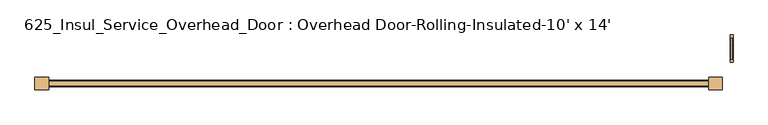
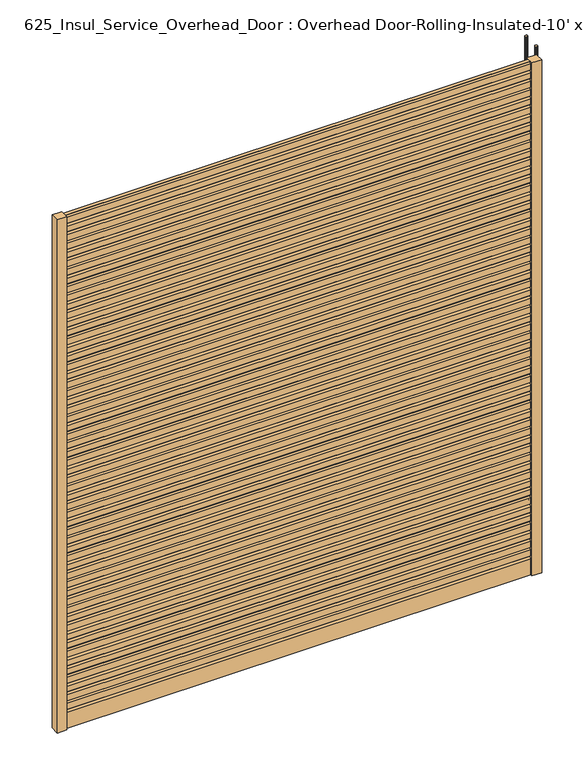
"""IFC4 building model written with IfcOpenShell, lengths in millimetres: door geometry, 625_Insul_Service_Overhead_Door : Overhead Door-Rolling-Insulated-10' x 14'."""

from ifc_helpers import new_model, si_unit, point, frame, origin, origin_with_axes, place, context, project, spatial, polyline, circle_curve, ellipse_curve, trimmed, outline, extrude, source, transform, mapped, element, save
from ifc_brep_helpers import plane_surface, cylinder_surface, revolved_surface, advanced_brep


def door_625_insul_service_overhead_door_overhead_door_rolling_30e8b93f(model_context):
    return source(origin(), model_context, "Body", "SolidModel", [
        advanced_brep(
        [(3640.1375, 1223.6880768, 4267.2), (3640.1375, 1236.3880768, 4267.2), (3638.55, 1237.9755768, 4267.2), (3625.85, 1237.9755768, 4267.2), (3624.2625, 1236.3880768, 4267.2), (3624.2625, 1223.6880768, 4267.2), (3625.85, 1222.1005768, 4267.2), (3638.55, 1222.1005768, 4267.2), (3638.55, 1222.1005768, 508.0), (3640.1375, 1223.6880768, 508.0), (3625.85, 1222.1005768, 508.0), (3624.2625, 1223.6880768, 508.0), (3624.2625, 1236.3880768, 508.0), (3624.2625, 1087.1630768, 508.0), (3624.2625, 1087.1630768, 4267.2), (3624.2625, 1099.8630768, 4267.2), (3624.2625, 1099.8630768, 508.0), (3625.85, 1237.9755768, 508.0), (3638.55, 1237.9755768, 508.0), (3640.1375, 1236.3880768, 508.0), (3640.1375, 1099.8630768, 508.0), (3640.1375, 1099.8630768, 4267.2), (3640.1375, 1087.1630768, 4267.2), (3640.1375, 1087.1630768, 508.0), (3638.55, 1101.4505768, 508.0), (3625.85, 1101.4505768, 508.0), (3625.85, 1085.5755768, 508.0), (3638.55, 1085.5755768, 508.0), (3638.55, 1101.4505768, 4267.2), (3625.85, 1101.4505768, 4267.2), (3625.85, 1085.5755768, 4267.2), (3638.55, 1085.5755768, 4267.2)],
        [
            (0, 1),
            (1, 2, circle_curve(frame((3638.55, 1236.3880768, 4267.2), z_axis=(0.0, 0.0, 1.0), x_axis=(0.0, 1.0, 0.0)), 1.5875)),
            (2, 3),
            (3, 4, circle_curve(frame((3625.85, 1236.3880768, 4267.2), z_axis=(0.0, 0.0, 1.0), x_axis=(0.0, 1.0, 0.0)), 1.5875)),
            (4, 5),
            (5, 6, circle_curve(frame((3625.85, 1223.6880768, 4267.2), z_axis=(0.0, 0.0, 1.0), x_axis=(0.0, 1.0, 0.0)), 1.5875)),
            (6, 7),
            (7, 0, circle_curve(frame((3638.55, 1223.6880768, 4267.2), z_axis=(0.0, 0.0, 1.0), x_axis=(0.0, 1.0, 0.0)), 1.5875)),
            (7, 8),
            (8, 9, circle_curve(frame((3638.55, 1223.6880768, 508.0), z_axis=(0.0, 0.0, 1.0), x_axis=(0.0, 1.0, 0.0)), 1.5875)),
            (9, 0),
            (6, 10),
            (10, 8),
            (5, 11),
            (11, 10, circle_curve(frame((3625.85, 1223.6880768, 508.0), z_axis=(0.0, 0.0, 1.0), x_axis=(0.0, 1.0, 0.0)), 1.5875)),
            (4, 12),
            (12, 13, circle_curve(frame((3624.2625, 1161.7755768, 508.0), z_axis=(-1.0, 0.0, 0.0), x_axis=(0.0, 1.0, 0.0)), 74.6125)),
            (13, 14),
            (14, 15),
            (15, 16),
            (16, 11, circle_curve(frame((3624.2625, 1161.7755768, 508.0), z_axis=(1.0, 0.0, 0.0), x_axis=(0.0, 1.0, 0.0)), 61.9125)),
            (3, 17),
            (17, 12, circle_curve(frame((3625.85, 1236.3880768, 508.0), z_axis=(0.0, 0.0, 1.0), x_axis=(0.0, 1.0, 0.0)), 1.5875)),
            (2, 18),
            (18, 17),
            (1, 19),
            (19, 18, circle_curve(frame((3638.55, 1236.3880768, 508.0), z_axis=(0.0, 0.0, 1.0), x_axis=(0.0, 1.0, 0.0)), 1.5875)),
            (9, 20, circle_curve(frame((3640.1375, 1161.7755768, 508.0), z_axis=(-1.0, 0.0, 0.0), x_axis=(0.0, 1.0, 0.0)), 61.9125)),
            (20, 21),
            (21, 22),
            (22, 23),
            (23, 19, circle_curve(frame((3640.1375, 1161.7755768, 508.0), z_axis=(1.0, 0.0, 0.0), x_axis=(0.0, 1.0, 0.0)), 74.6125)),
            (24, 20, circle_curve(frame((3638.55, 1099.8630768, 508.0), z_axis=(0.0, 0.0, -1.0), x_axis=(0.0, -1.0, 0.0)), 1.5875)),
            (8, 24, circle_curve(frame((3638.55, 1161.7755768, 508.0), z_axis=(-1.0, 0.0, 0.0), x_axis=(0.0, 1.0, 0.0)), 60.325)),
            (25, 24),
            (10, 25, circle_curve(frame((3625.85, 1161.7755768, 508.0), z_axis=(-1.0, 0.0, 0.0), x_axis=(0.0, 1.0, 0.0)), 60.325)),
            (16, 25, circle_curve(frame((3625.85, 1099.8630768, 508.0), z_axis=(0.0, 0.0, -1.0), x_axis=(0.0, -1.0, 0.0)), 1.5875)),
            (26, 13, circle_curve(frame((3625.85, 1087.1630768, 508.0), z_axis=(0.0, 0.0, -1.0), x_axis=(0.0, -1.0, 0.0)), 1.5875)),
            (17, 26, circle_curve(frame((3625.85, 1161.7755768, 508.0), z_axis=(-1.0, 0.0, 0.0), x_axis=(0.0, 1.0, 0.0)), 76.2)),
            (27, 26),
            (18, 27, circle_curve(frame((3638.55, 1161.7755768, 508.0), z_axis=(-1.0, 0.0, 0.0), x_axis=(0.0, 1.0, 0.0)), 76.2)),
            (23, 27, circle_curve(frame((3638.55, 1087.1630768, 508.0), z_axis=(0.0, 0.0, -1.0), x_axis=(0.0, -1.0, 0.0)), 1.5875)),
            (21, 28, circle_curve(frame((3638.55, 1099.8630768, 4267.2), z_axis=(0.0, 0.0, 1.0), x_axis=(0.0, -1.0, 0.0)), 1.5875)),
            (28, 29),
            (29, 15, circle_curve(frame((3625.85, 1099.8630768, 4267.2), z_axis=(0.0, 0.0, 1.0), x_axis=(0.0, -1.0, 0.0)), 1.5875)),
            (14, 30, circle_curve(frame((3625.85, 1087.1630768, 4267.2), z_axis=(0.0, 0.0, 1.0), x_axis=(0.0, -1.0, 0.0)), 1.5875)),
            (30, 31),
            (31, 22, circle_curve(frame((3638.55, 1087.1630768, 4267.2), z_axis=(0.0, 0.0, 1.0), x_axis=(0.0, -1.0, 0.0)), 1.5875)),
            (24, 28),
            (25, 29),
            (26, 30),
            (27, 31),
        ],
        [
            plane_surface(frame((3632.2, 1237.9755768, 4267.2), z_axis=(0.0, 0.0, 1.0), x_axis=(-1.0, 0.0, 0.0))),
            cylinder_surface(frame((3638.55, 1223.6880768, 4267.2), z_axis=(0.0, 0.0, 1.0), x_axis=(0.0, 1.0, 0.0)), 1.5875),
            plane_surface(frame((3638.55, 1222.1005768, 4267.2), z_axis=(0.0, -1.0, 0.0), x_axis=(0.0, 0.0, -1.0))),
            cylinder_surface(frame((3625.85, 1223.6880768, 4267.2), z_axis=(0.0, 0.0, 1.0), x_axis=(0.0, 1.0, 0.0)), 1.5875),
            plane_surface(frame((3624.2625, 1223.6880768, 4267.2), z_axis=(-1.0, 0.0, 0.0), x_axis=(0.0, 0.0, -1.0))),
            cylinder_surface(frame((3625.85, 1236.3880768, 4267.2), z_axis=(0.0, 0.0, 1.0), x_axis=(0.0, 1.0, 0.0)), 1.5875),
            plane_surface(frame((3625.85, 1237.9755768, 4267.2), z_axis=(0.0, 1.0, 0.0), x_axis=(0.0, 0.0, -1.0))),
            cylinder_surface(frame((3638.55, 1236.3880768, 4267.2), z_axis=(0.0, 0.0, 1.0), x_axis=(0.0, 1.0, 0.0)), 1.5875),
            plane_surface(frame((3640.1375, 1236.3880768, 4267.2), z_axis=(1.0, 0.0, 0.0), x_axis=(0.0, 0.0, -1.0))),
            revolved_surface(trimmed(ellipse_curve(frame((3638.55, 1223.6880768, 508.0), z_axis=(0.0, 0.0, -1.0), x_axis=(0.0, 1.0, 0.0)), 1.5875, 1.5875), [point((3640.1375, 1223.6880768, 508.0))], [point((3638.55, 1222.1005768, 508.0))], True, "CARTESIAN"), (3632.2, 1161.7755768, 508.0), (1.0, 0.0, 0.0)),
            revolved_surface(polyline([(3638.55, 1222.1005768, 508.0), (3625.85, 1222.1005768, 508.0)]), (3632.2, 1161.7755768, 508.0), (1.0, 0.0, 0.0)),
            revolved_surface(trimmed(ellipse_curve(frame((3625.85, 1223.6880768, 508.0), z_axis=(0.0, 0.0, -1.0), x_axis=(0.0, 1.0, 0.0)), 1.5875, 1.5875), [point((3625.85, 1222.1005768, 508.0))], [point((3624.2625, 1223.6880768, 508.0))], True, "CARTESIAN"), (3632.2, 1161.7755768, 508.0), (1.0, 0.0, 0.0)),
            revolved_surface(trimmed(ellipse_curve(frame((3625.85, 1236.3880768, 508.0), z_axis=(0.0, 0.0, -1.0), x_axis=(0.0, 1.0, 0.0)), 1.5875, 1.5875), [point((3624.2625, 1236.3880768, 508.0))], [point((3625.85, 1237.9755768, 508.0))], True, "CARTESIAN"), (3632.2, 1161.7755768, 508.0), (1.0, 0.0, 0.0)),
            cylinder_surface(frame((3632.2, 1161.7755768, 508.0), z_axis=(1.0, 0.0, 0.0), x_axis=(0.0, 1.0, 0.0)), 76.2),
            revolved_surface(trimmed(ellipse_curve(frame((3638.55, 1236.3880768, 508.0), z_axis=(0.0, 0.0, -1.0), x_axis=(0.0, 1.0, 0.0)), 1.5875, 1.5875), [point((3638.55, 1237.9755768, 508.0))], [point((3640.1375, 1236.3880768, 508.0))], True, "CARTESIAN"), (3632.2, 1161.7755768, 508.0), (1.0, 0.0, 0.0)),
            plane_surface(frame((3632.2, 1085.5755768, 4267.2), z_axis=(0.0, 0.0, 1.0), x_axis=(-1.0, 0.0, 0.0))),
            cylinder_surface(frame((3638.55, 1099.8630768, 508.0), z_axis=(0.0, 0.0, -1.0), x_axis=(0.0, -1.0, 0.0)), 1.5875),
            plane_surface(frame((3638.55, 1101.4505768, 508.0), z_axis=(0.0, 1.0, 0.0), x_axis=(0.0, 0.0, 1.0))),
            cylinder_surface(frame((3625.85, 1099.8630768, 508.0), z_axis=(0.0, 0.0, -1.0), x_axis=(0.0, -1.0, 0.0)), 1.5875),
            cylinder_surface(frame((3625.85, 1087.1630768, 508.0), z_axis=(0.0, 0.0, -1.0), x_axis=(0.0, -1.0, 0.0)), 1.5875),
            plane_surface(frame((3625.85, 1085.5755768, 508.0), z_axis=(0.0, -1.0, 0.0), x_axis=(0.0, 0.0, 1.0))),
            cylinder_surface(frame((3638.55, 1087.1630768, 508.0), z_axis=(0.0, 0.0, -1.0), x_axis=(0.0, -1.0, 0.0)), 1.5875),
        ],
        [
            (0, [[1, 2, 3, 4, 5, 6, 7, 8]]),
            (1, [[9, 10, 11, -8]]),
            (2, [[12, 13, -9, -7]]),
            (3, [[14, 15, -12, -6]]),
            (4, [[16, 17, 18, 19, 20, 21, -14, -5]]),
            (5, [[22, 23, -16, -4]]),
            (6, [[24, 25, -22, -3]]),
            (7, [[26, 27, -24, -2]]),
            (8, [[-11, 28, 29, 30, 31, 32, -26, -1]]),
            (9, [[33, -28, -10, 34]]),
            (10, [[35, -34, -13, 36]]),
            (11, [[37, -36, -15, -21]]),
            (12, [[38, -17, -23, 39]]),
            (13, [[40, -39, -25, 41]]),
            (14, [[42, -41, -27, -32]]),
            (15, [[43, 44, 45, -19, 46, 47, 48, -30]]),
            (16, [[49, -43, -29, -33]]),
            (17, [[50, -44, -49, -35]]),
            (18, [[-20, -45, -50, -37]]),
            (19, [[51, -46, -18, -38]]),
            (20, [[52, -47, -51, -40]]),
            (21, [[-31, -48, -52, -42]]),
        ],
    ),
        extrude(outline(polyline([(-228.6, 933.2031809), (-228.6, 1003.0531809), (-152.4, 1003.0531809), (-152.4, 933.2031809), (-228.6, 933.2031809)])), origin_with_axes(), (0.0, 0.0, 1.0), 4267.2),
        extrude(outline(polyline([(3581.4, 933.2031809), (3505.2, 933.2031809), (3505.2, 1003.0531809), (3581.4, 1003.0531809), (3581.4, 933.2031809)])), origin_with_axes(), (0.0, 0.0, 1.0), 4267.2),
        extrude(outline(polyline([(962.3771667, 145.6494217), (950.5940662, 157.5370054), (950.5940662, 205.6925895), (962.3771667, 217.5801731), (950.5940662, 229.4677568), (950.5940662, 277.6233409), (962.3771667, 289.5109246), (950.5940662, 301.3985082), (950.5940662, 349.5540924), (962.6329622, 361.6997397), (950.5940662, 373.8453871), (950.5940662, 422.0009712), (962.6329622, 434.1466186), (950.5940662, 446.2922659), (950.5940662, 494.44785), (962.3771667, 506.3354337), (950.5940662, 518.2230174), (950.5940662, 566.3786015), (962.6329622, 578.5242489), (950.5940662, 590.6698962), (950.5940662, 638.8254803), (962.3771667, 650.713064), (950.5940662, 662.6006477), (950.5940662, 710.7562318), (962.3771667, 722.6438154), (950.5940662, 734.5313991), (950.5940662, 782.6869832), (962.6329622, 794.8326306), (950.5940662, 806.978278), (950.5940662, 855.1338621), (962.6329622, 867.2795094), (950.5940662, 879.4251568), (950.5940662, 927.5807409), (962.3771667, 939.4683246), (950.5940662, 951.3559082), (950.5940662, 999.5114924), (962.6329622, 1011.6571397), (950.5940662, 1023.8027871), (950.5940662, 1071.9583712), (962.3771667, 1083.8459549), (950.5940662, 1095.7335385), (950.5940662, 1143.8891227), (962.3771667, 1155.7767063), (950.5940662, 1167.66429), (950.5940662, 1215.8198741), (962.6329622, 1227.9655215), (950.5940662, 1240.1111688), (950.5940662, 1288.2667529), (962.6329622, 1300.4124003), (950.5940662, 1312.5580477), (950.5940662, 1360.7136318), (962.3771667, 1372.6012154), (950.5940662, 1384.4887991), (950.5940662, 1432.6443832), (962.6329622, 1444.7900306), (950.5940662, 1456.935678), (950.5940662, 1505.0912621), (962.3771667, 1516.9788457), (950.5940662, 1528.8664294), (950.5940662, 1577.0220135), (962.3771667, 1588.9095972), (950.5940662, 1600.7971808), (950.5940662, 1648.952765), (962.6329622, 1661.0984123), (950.5940662, 1673.2440597), (950.5940662, 1721.3996438), (962.6329622, 1733.5452912), (950.5940662, 1745.6909385), (950.5940662, 1793.8465227), (962.3771667, 1805.7341063), (950.5940662, 1817.62169), (950.5940662, 1865.7772741), (962.6329622, 1877.9229215), (950.5940662, 1890.0685688), (950.5940662, 1938.2241529), (962.3771667, 1950.1117366), (950.5940662, 1961.9993203), (950.5940662, 2010.1549044), (962.3771667, 2022.0424881), (950.5940662, 2033.9300717), (950.5940662, 2082.0856558), (962.6329622, 2094.2313032), (950.5940662, 2106.3769506), (950.5940662, 2154.5325347), (962.6329622, 2166.678182), (950.5940662, 2178.8238294), (950.5940662, 2226.9794135), (962.3771667, 2238.8669972), (950.5940662, 2250.7545808), (950.5940662, 2298.910165), (962.6329622, 2311.0558123), (950.5940662, 2323.2014597), (950.5940662, 2371.3570438), (962.3771667, 2383.2446275), (950.5940662, 2395.1322111), (950.5940662, 2443.2877953), (962.3771667, 2455.1753789), (950.5940662, 2467.0629626), (950.5940662, 2515.2185467), (962.6329622, 2527.3641941), (950.5940662, 2539.5098414), (950.5940662, 2587.6654255), (962.6329622, 2599.8110729), (950.5940662, 2611.9567203), (950.5940662, 2660.1123044), (962.3771667, 2671.9998881), (950.5940662, 2683.8874717), (950.5940662, 2732.0430558), (962.6329622, 2744.1887032), (950.5940662, 2756.3343506), (950.5940662, 2804.4899347), (962.3771667, 2816.3775183), (950.5940662, 2828.265102), (950.5940662, 2876.4206861), (962.3771667, 2888.3082698), (950.5940662, 2900.1958535), (950.5940662, 2948.3514376), (962.6329622, 2960.4970849), (950.5940662, 2972.6427323), (950.5940662, 3020.7983164), (962.6329622, 3032.9439638), (950.5940662, 3045.0896111), (950.5940662, 3093.2451953), (962.3771667, 3105.1327789), (950.5940662, 3117.0203626), (950.5940662, 3165.1759467), (962.6329622, 3177.3215941), (950.5940662, 3189.4672414), (950.5940662, 3237.6228255), (962.3771667, 3249.5104092), (950.5940662, 3261.3979929), (950.5940662, 3309.553577), (962.3771667, 3321.4411607), (950.5940662, 3333.3287443), (950.5940662, 3381.4843284), (962.6329622, 3393.6299758), (950.5940662, 3405.7756232), (950.5940662, 3453.9312073), (962.6329622, 3466.0768546), (950.5940662, 3478.222502), (950.5940662, 3526.3780861), (962.3771667, 3538.2656698), (950.5940662, 3550.1532535), (950.5940662, 3598.3088376), (962.6329622, 3610.4544849), (950.5940662, 3622.6001323), (950.5940662, 3670.239589), (962.3771667, 3682.1271727), (950.5940662, 3694.0147563), (950.5940662, 3742.1703405), (962.3771667, 3754.0579241), (950.5940662, 3765.9455078), (950.5940662, 3814.1010919), (962.6329622, 3826.2467393), (950.5940662, 3838.3923866), (950.5940662, 3886.5479708), (962.6329622, 3898.6936181), (950.5940662, 3910.8392655), (950.5940662, 3958.9948496), (962.3771667, 3970.8824333), (950.5940662, 3982.7700169), (950.5940662, 4030.925601), (962.6329622, 4043.0712484), (950.5940662, 4055.2168958), (950.5940662, 4103.3724799), (962.3771667, 4115.2600635), (950.5940662, 4127.1476472), (950.5940662, 4175.3032313), (962.3771667, 4187.190815), (950.5940662, 4199.0783987), (950.5940662, 4247.2339828), (962.6329622, 4259.3796301), (954.8813277, 4267.2), (981.3750341, 4267.2), (973.6233995, 4259.3796301), (985.6622955, 4247.2339828), (985.6622955, 4199.0783987), (973.879195, 4187.190815), (985.6622955, 4175.3032313), (985.6622955, 4127.1476472), (973.879195, 4115.2600635), (985.6622955, 4103.3724799), (985.6622955, 4055.2168958), (973.6233995, 4043.0712484), (985.6622955, 4030.925601), (985.6622955, 3982.7700169), (973.879195, 3970.8824333), (985.6622955, 3958.9948496), (985.6622955, 3910.8392655), (973.6233995, 3898.6936181), (985.6622955, 3886.5479708), (985.6622955, 3838.3923866), (973.6233995, 3826.2467393), (985.6622955, 3814.1010919), (985.6622955, 3765.9455078), (973.879195, 3754.0579241), (985.6622955, 3742.1703405), (985.6622955, 3694.0147563), (973.879195, 3682.1271727), (985.6622955, 3670.239589), (985.6622955, 3622.6001323), (973.6233995, 3610.4544849), (985.6622955, 3598.3088376), (985.6622955, 3550.1532535), (973.879195, 3538.2656698), (985.6622955, 3526.3780861), (985.6622955, 3478.222502), (973.6233995, 3466.0768546), (985.6622955, 3453.9312073), (985.6622955, 3405.7756232), (973.6233995, 3393.6299758), (985.6622955, 3381.4843284), (985.6622955, 3333.3287443), (973.879195, 3321.4411607), (985.6622955, 3309.553577), (985.6622955, 3261.3979929), (973.879195, 3249.5104092), (985.6622955, 3237.6228255), (985.6622955, 3189.4672414), (973.6233995, 3177.3215941), (985.6622955, 3165.1759467), (985.6622955, 3117.0203626), (973.879195, 3105.1327789), (985.6622955, 3093.2451953), (985.6622955, 3045.0896111), (973.6233995, 3032.9439638), (985.6622955, 3020.7983164), (985.6622955, 2972.6427323), (973.6233995, 2960.4970849), (985.6622955, 2948.3514376), (985.6622955, 2900.1958535), (973.879195, 2888.3082698), (985.6622955, 2876.4206861), (985.6622955, 2828.265102), (973.879195, 2816.3775183), (985.6622955, 2804.4899347), (985.6622955, 2756.3343506), (973.6233995, 2744.1887032), (985.6622955, 2732.0430558), (985.6622955, 2683.8874717), (973.879195, 2671.9998881), (985.6622955, 2660.1123044), (985.6622955, 2611.9567203), (973.6233995, 2599.8110729), (985.6622955, 2587.6654255), (985.6622955, 2539.5098414), (973.6233995, 2527.3641941), (985.6622955, 2515.2185467), (985.6622955, 2467.0629626), (973.879195, 2455.1753789), (985.6622955, 2443.2877953), (985.6622955, 2395.1322111), (973.879195, 2383.2446275), (985.6622955, 2371.3570438), (985.6622955, 2323.2014597), (973.6233995, 2311.0558123), (985.6622955, 2298.910165), (985.6622955, 2250.7545808), (973.879195, 2238.8669972), (985.6622955, 2226.9794135), (985.6622955, 2178.8238294), (973.6233995, 2166.678182), (985.6622955, 2154.5325347), (985.6622955, 2106.3769506), (973.6233995, 2094.2313032), (985.6622955, 2082.0856558), (985.6622955, 2033.9300717), (973.879195, 2022.0424881), (985.6622955, 2010.1549044), (985.6622955, 1961.9993203), (973.879195, 1950.1117366), (985.6622955, 1938.2241529), (985.6622955, 1890.0685688), (973.6233995, 1877.9229215), (985.6622955, 1865.7772741), (985.6622955, 1817.62169), (973.879195, 1805.7341063), (985.6622955, 1793.8465227), (985.6622955, 1745.6909385), (973.6233995, 1733.5452912), (985.6622955, 1721.3996438), (985.6622955, 1673.2440597), (973.6233995, 1661.0984123), (985.6622955, 1648.952765), (985.6622955, 1600.7971808), (973.879195, 1588.9095972), (985.6622955, 1577.0220135), (985.6622955, 1528.8664294), (973.879195, 1516.9788457), (985.6622955, 1505.0912621), (985.6622955, 1456.935678), (973.6233995, 1444.7900306), (985.6622955, 1432.6443832), (985.6622955, 1384.4887991), (973.879195, 1372.6012154), (985.6622955, 1360.7136318), (985.6622955, 1312.5580477), (973.6233995, 1300.4124003), (985.6622955, 1288.2667529), (985.6622955, 1240.1111688), (973.6233995, 1227.9655215), (985.6622955, 1215.8198741), (985.6622955, 1167.66429), (973.879195, 1155.7767063), (985.6622955, 1143.8891227), (985.6622955, 1095.7335385), (973.879195, 1083.8459549), (985.6622955, 1071.9583712), (985.6622955, 1023.8027871), (973.6233995, 1011.6571397), (985.6622955, 999.5114924), (985.6622955, 951.3559082), (973.879195, 939.4683246), (985.6622955, 927.5807409), (985.6622955, 879.4251568), (973.6233995, 867.2795094), (985.6622955, 855.1338621), (985.6622955, 806.978278), (973.6233995, 794.8326306), (985.6622955, 782.6869832), (985.6622955, 734.5313991), (973.879195, 722.6438154), (985.6622955, 710.7562318), (985.6622955, 662.6006477), (973.879195, 650.713064), (985.6622955, 638.8254803), (985.6622955, 590.6698962), (973.6233995, 578.5242489), (985.6622955, 566.3786015), (985.6622955, 518.2230174), (973.879195, 506.3354337), (985.6622955, 494.44785), (985.6622955, 446.2922659), (973.6233995, 434.1466186), (985.6622955, 422.0009712), (985.6622955, 373.8453871), (973.6233995, 361.6997397), (985.6622955, 349.5540924), (985.6622955, 301.3985082), (973.879195, 289.5109246), (985.6622955, 277.6233409), (985.6622955, 229.4677568), (973.879195, 217.5801731), (985.6622955, 205.6925895), (985.6622955, 157.5370054), (973.879195, 145.6494217), (985.6622955, 133.761838), (985.6622955, 0.0), (950.5940662, 0.0), (950.5940662, 133.761838), (962.3771667, 145.6494217)])), frame((-152.4, 0.0, 0.0), z_axis=(1.0, 0.0, 0.0), x_axis=(0.0, 1.0, 0.0)), (0.0, 0.0, 1.0), 3657.6),
    ])


if __name__ == "__main__":
    model = new_model("IFC4")
    model_context = context("Model", 3, world=origin())
    ifc_project = project(units=[si_unit("LENGTHUNIT", "METRE", prefix="MILLI")], contexts=[model_context])
    site = spatial("IfcSite", under=ifc_project)
    building = spatial("IfcBuilding", under=site)
    placement = place(None, origin())
    door_625_insul_service_overhead_door_overhead_door_rolling_shape = door_625_insul_service_overhead_door_overhead_door_rolling_30e8b93f(model_context)
    element("IfcDoor", 1, ObjectType="625_Insul_Service_Overhead_Door : Overhead Door-Rolling-Insulated-10' x 14'", at=placement, inside=building, context=model_context, shape_type="MappedRepresentation", body=[
        mapped(door_625_insul_service_overhead_door_overhead_door_rolling_shape, transform((0.0, 0.0, 0.0), x_axis=(1.0, 0.0, 0.0), y_axis=(0.0, 1.0, 0.0), z_axis=(0.0, 0.0, 1.0))),
    ])
    save(model, "model.ifc")
